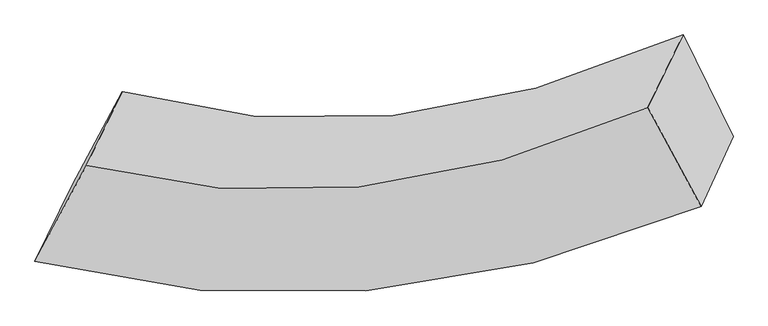
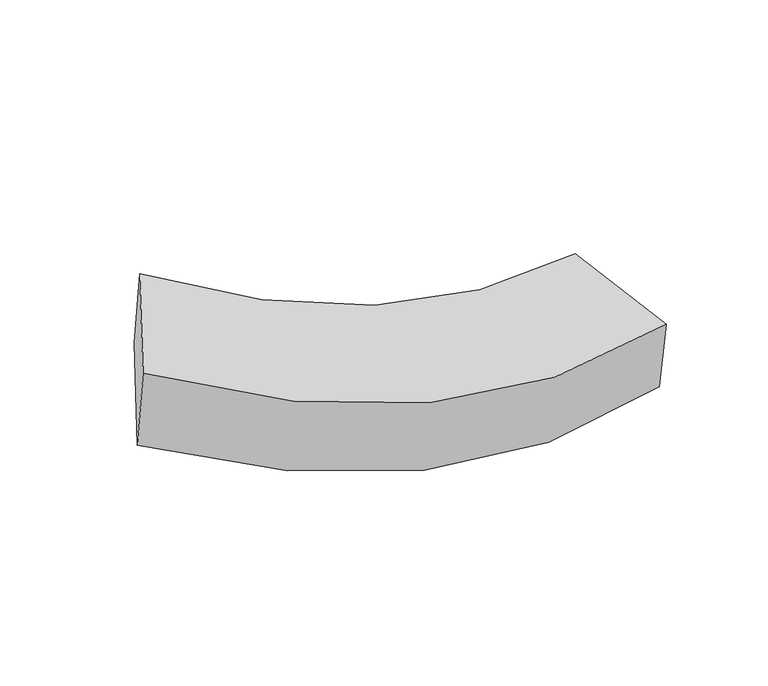
"""IFC4 building model written with IfcOpenShell, lengths in millimetres: proxy geometry."""

from ifc_helpers import new_model, si_unit, frame, origin, place, context, project, spatial, source, transform, mapped, element, save
from ifc_brep_helpers import plane_surface, spline_curve, spline_surface, advanced_brep


def generic_models_e9e407a7(model_context):
    return source(origin(), model_context, "Body", "AdvancedBrep", [
        advanced_brep(
        [(11585.8530983, -2983.7491272, 767.0377136), (11420.5268799, -3345.1738916, 1458.164455), (7976.4881829, -3631.5949547, 2512.4421931), (8168.7360255, -3234.9235524, 1727.7813965), (11145.1454204, -2833.6093225, 1712.7148148), (8242.2526468, -3135.0296585, 2779.2656385), (11327.2360929, -2457.8955489, 969.5105728), (8427.4637323, -2752.8774323, 2023.3254107)],
        [
            (0, 1),
            (1, 2, spline_curve(3, [(11420.5268799, -3345.1738916, 1458.164455), (10842.005765788, -3590.566281197, 1515.785036085), (10264.000723317, -3736.676183883, 1633.347910605), (9116.000219683, -3829.765228945, 1986.213563281), (8545.992363179, -3779.12901389, 2220.076601307), (7976.4881829, -3631.5949547, 2512.4421931)], [4, 2, 4], [0.0, 6.04551603231385, 12.01798787603196])),
            (2, 3),
            (3, 0, spline_curve(3, [(8168.7360255, -3234.9235524, 1727.7813965), (8734.153258028, -3394.21275709, 1454.771885382), (9299.888940352, -3453.663892129, 1238.345753995), (10438.920127596, -3372.396084859, 916.705350388), (11012.22346965, -3229.220141554, 812.883587596), (11585.8530983, -2983.7491272, 767.0377136)], [4, 2, 4], [0.0, 5.972471843718109, 12.01798787603196])),
            (1, 4),
            (4, 5, spline_curve(3, [(11145.1454204, -2833.6093225, 1712.7148148), (10635.26461109, -3058.144455687, 1820.363644569), (10137.016458186, -3195.154294102, 1963.823837459), (9169.664935669, -3293.525489915, 2320.200923468), (8700.282164061, -3256.989096958, 2532.257671738), (8242.2526468, -3135.0296585, 2779.2656385)], [4, 2, 4], [0.0, 5.654767514577418, 11.241212010475854])),
            (5, 2),
            (4, 6),
            (6, 7, spline_curve(3, [(11327.2360929, -2457.8955489, 969.5105728), (10815.041911449, -2687.20394036, 1086.601446002), (10315.907307542, -2826.042822493, 1233.679694008), (9349.630195548, -2922.197151032, 1585.671566232), (8882.174012528, -2881.685563481, 1789.864931031), (8427.4637323, -2752.8774323, 2023.3254107)], [4, 2, 4], [0.0, 5.220550621711286, 10.378024595846478])),
            (7, 5),
            (6, 0),
            (3, 7),
        ],
        [
            spline_surface(3, 3, [[(11585.8530983, -2983.7491272, 767.0377136), (11012.223469591, -3229.220141482, 812.883587542), (10438.920127609, -3372.39608494, 916.705350417), (9299.888940339, -3453.663892049, 1238.345753967), (8734.153258068, -3394.212757001, 1454.771885413), (8168.7360255, -3234.9235524, 1727.7813965)], [(11530.744358824, -3104.224048675, 997.413294056), (10955.484234986, -3349.668854751, 1047.184070349), (10380.613659525, -3493.822784621, 1155.586203823), (9238.59270015, -3579.031004342, 1487.635023708), (8671.432959786, -3522.518175978, 1709.873457351), (8104.653411309, -3367.147353165, 1989.334995347)], [(11475.635619376, -3224.698970125, 1227.788874544), (10898.745000408, -3470.117567994, 1281.484553187), (10322.307191376, -3615.249484261, 1394.467057259), (9177.296459896, -3704.398116593, 1736.924293479), (8608.712661478, -3650.82359496, 1964.975029349), (8040.570797091, -3499.371153935, 2250.888594253)], [(11420.5268799, -3345.1738916, 1458.164455), (10842.005765803, -3590.566281263, 1515.785035993), (10264.000723293, -3736.676183942, 1633.347910666), (9116.000219708, -3829.765228886, 1986.21356322), (8545.992363196, -3779.129013936, 2220.076601288), (7976.4881829, -3631.5949547, 2512.4421931)]], [4, 4], [4, 2, 4], [0.0, 2.7548791611509573], [0.0, 6.04551603231385, 12.01798787603196]),
            spline_surface(3, 3, [[(11420.5268799, -3345.1738916, 1458.164455), (10842.005765803, -3590.566281263, 1515.785035993), (10264.000723293, -3736.676183942, 1633.347910666), (9116.000219708, -3829.765228886, 1986.21356322), (8545.992363196, -3779.129013936, 2220.076601288), (7976.4881829, -3631.5949547, 2512.4421931)], [(11328.733060085, -3174.652368554, 1543.014574932), (10773.092047582, -3413.092339417, 1617.311238855), (10221.672634904, -3556.168887302, 1743.506552954), (9133.888458349, -3651.018649202, 2097.542683304), (8597.422296821, -3605.082374923, 2324.136958123), (8065.076337536, -3466.073189286, 2601.38334157)], [(11236.939240215, -3004.130845546, 1627.864694868), (10704.178329306, -3235.618397609, 1718.837441721), (10179.344546563, -3375.661590743, 1853.665195206), (9151.776697038, -3472.272069598, 2208.87180335), (8648.852230438, -3431.035735952, 2428.19731495), (8153.664492164, -3300.551423914, 2690.32449003)], [(11145.1454204, -2833.6093225, 1712.7148148), (10635.264611084, -3058.144455763, 1820.363644583), (10137.016458175, -3195.154294103, 1963.823837494), (9169.66493568, -3293.525489914, 2320.200923433), (8700.282164063, -3256.989096938, 2532.257671786), (8242.2526468, -3135.0296585, 2779.2656385)]], [4, 4], [4, 2, 4], [0.0, 2.0807179493664245], [0.0, 5.654767514577418, 11.241212010475854]),
            spline_surface(3, 3, [[(11145.1454204, -2833.6093225, 1712.7148148), (10635.264611084, -3058.144455763, 1820.363644583), (10137.016458175, -3195.154294103, 1963.823837494), (9169.66493568, -3293.525489914, 2320.200923433), (8700.282164063, -3256.989096938, 2532.257671786), (8242.2526468, -3135.0296585, 2779.2656385)], [(11205.842311227, -2708.37139797, 1464.980067475), (10695.190377845, -2934.497617304, 1575.776245053), (10196.646741298, -3072.117136916, 1720.442456321), (9229.653355658, -3169.749376976, 2075.357804396), (8760.912780241, -3131.887919108, 2284.793424865), (8303.989675308, -3007.645583111, 2527.285562591)], [(11266.539202073, -2583.13347343, 1217.245320125), (10755.116144626, -2810.850778835, 1331.1888455), (10256.277024386, -2949.079979671, 1477.061075119), (9289.641775602, -3045.973263979, 1830.51468533), (8821.543396395, -3006.786741246, 2037.329177872), (8365.726703792, -2880.261507689, 2275.305486609)], [(11327.2360929, -2457.8955489, 969.5105728), (10815.041911387, -2687.203940376, 1086.601445971), (10315.907307508, -2826.042822484, 1233.679693946), (9349.630195581, -2922.197151041, 1585.671566293), (8882.174012572, -2881.685563416, 1789.864930951), (8427.4637323, -2752.8774323, 2023.3254107)]], [4, 4], [4, 2, 4], [0.0, 2.7557574650732355], [0.0, 5.220550621711286, 10.378024595846478]),
            spline_surface(3, 3, [[(11327.2360929, -2457.8955489, 969.5105728), (10815.041911387, -2687.203940376, 1086.601445971), (10315.907307508, -2826.042822484, 1233.679693946), (9349.630195581, -2922.197151041, 1585.671566293), (8882.174012572, -2881.685563416, 1789.864930951), (8427.4637323, -2752.8774323, 2023.3254107)], [(11413.441761364, -2633.180075001, 902.019619737), (10880.769097452, -2867.876007413, 995.362159832), (10356.911580858, -3008.16057663, 1128.021579424), (9333.049777149, -3099.352731371, 1469.896295505), (8832.833761051, -3052.527961283, 1678.167249098), (8341.221163347, -2913.559472338, 1924.810739293)], [(11499.647429836, -2808.464601099, 834.528666663), (10946.496283526, -3048.548074446, 904.122873681), (10397.91585426, -3190.278330794, 1022.363464939), (9316.469358771, -3276.50831172, 1354.121024755), (8783.493509589, -3223.370359135, 1566.469567266), (8254.978594453, -3074.241512362, 1826.296067907)], [(11585.8530983, -2983.7491272, 767.0377136), (11012.223469591, -3229.220141482, 812.883587542), (10438.920127609, -3372.39608494, 916.705350417), (9299.888940339, -3453.663892049, 1238.345753967), (8734.153258068, -3394.212757001, 1454.771885413), (8168.7360255, -3234.9235524, 1727.7813965)]], [4, 4], [4, 2, 4], [0.0, 2.080526873241099], [0.0, 5.604455701085595, 11.141196269663322]),
            plane_surface(frame((8203.7351469, -3188.6063995, 2260.7036597), z_axis=(-0.885473846542592, 0.46434835446733436, 0.017795302541549457), x_axis=(0.21360871397034964, 0.44074600254976953, -0.8718453294893149))),
            plane_surface(frame((11369.6903729, -2905.1069726, 1226.8568891), z_axis=(0.883390467018291, 0.2939097761475421, 0.36501825470256627), x_axis=(-0.4171242022433358, 0.8481509327479951, 0.3265691277227023))),
        ],
        [
            (0, [[1, 2, 3, 4]]),
            (1, [[5, 6, 7, -2]]),
            (2, [[8, 9, 10, -6]]),
            (3, [[11, -4, 12, -9]]),
            (4, [[-10, -12, -3, -7]]),
            (5, [[-11, -8, -5, -1]]),
        ],
    ),
    ])


if __name__ == "__main__":
    model = new_model("IFC4")
    model_context = context("Model", 3, world=origin())
    ifc_project = project(units=[si_unit("LENGTHUNIT", "METRE", prefix="MILLI")], contexts=[model_context])
    site = spatial("IfcSite", under=ifc_project)
    building = spatial("IfcBuilding", under=site)
    placement = place(None, origin())
    generic_models_shape = generic_models_e9e407a7(model_context)
    element("IfcBuildingElementProxy", 1, Name="Generic Models", at=placement, inside=building, context=model_context, shape_type="MappedRepresentation", body=[
        mapped(generic_models_shape, transform((0.0, 0.0, 0.0), x_axis=(1.0, 0.0, 0.0), y_axis=(0.0, 1.0, 0.0), z_axis=(0.0, 0.0, 1.0))),
    ])
    save(model, "model.ifc")
